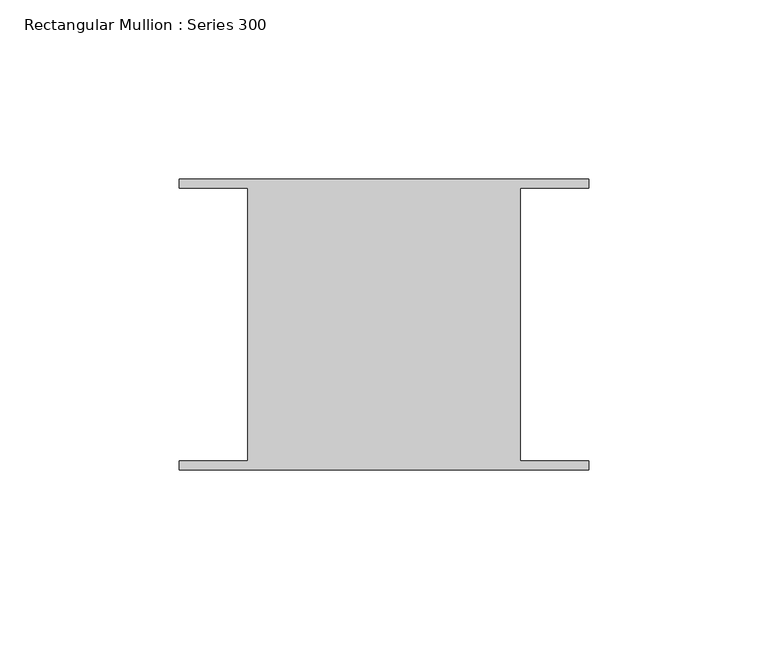
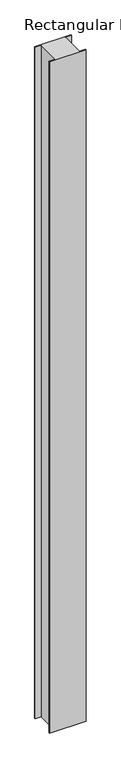
"""IFC4 building model written with IfcOpenShell, lengths in millimetres: member geometry, Rectangular Mullion : Series 300."""

from ifc_helpers import new_model, si_unit, frame, origin, place, context, project, spatial, polyline, outline, extrude, source, transform, mapped, element, save


def rectangular_mullion_series_300_f979d814(model_context):
    return source(origin(), model_context, "Body", "SweptSolid", [
        extrude(outline(polyline([(-57.15, 38.3180241), (-57.15, 40.8591073), (57.15, 40.8591073), (57.15, 38.2877188), (37.993673, 38.2877188), (37.993673, -37.9129276), (57.15, -37.9129276), (57.15, -40.4246411), (-57.15, -40.4246411), (-57.15, -37.8795282), (-38.0017722, -37.8795282), (-38.0017722, 38.3180241), (-57.15, 38.3180241)])), frame((0.0, 0.0, -2235.2), z_axis=(0.0, 0.0, 1.0), x_axis=(1.0, 0.0, 0.0)), (0.0, 0.0, 1.0), 2235.2),
    ])


if __name__ == "__main__":
    model = new_model("IFC4")
    model_context = context("Model", 3, world=origin())
    ifc_project = project(units=[si_unit("LENGTHUNIT", "METRE", prefix="MILLI")], contexts=[model_context])
    site = spatial("IfcSite", under=ifc_project)
    building = spatial("IfcBuilding", under=site)
    placement = place(None, origin())
    rectangular_mullion_series_300_shape = rectangular_mullion_series_300_f979d814(model_context)
    element("IfcMember", 1, ObjectType="Rectangular Mullion : Series 300", at=placement, inside=building, context=model_context, shape_type="MappedRepresentation", body=[
        mapped(rectangular_mullion_series_300_shape, transform((0.0, 0.0, 0.0), x_axis=(1.0, 0.0, 0.0), y_axis=(0.0, 1.0, 0.0), z_axis=(0.0, 0.0, 1.0))),
    ])
    save(model, "model.ifc")
